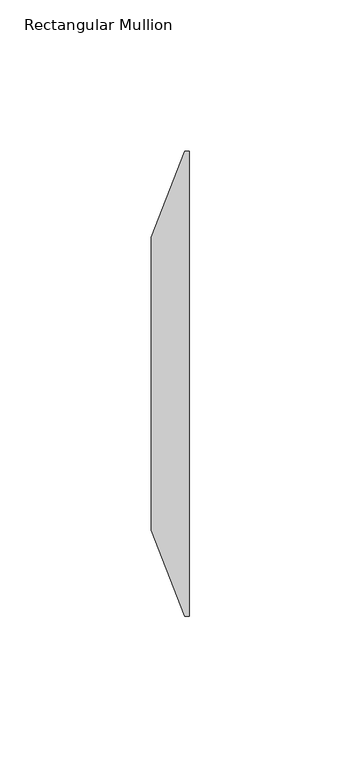
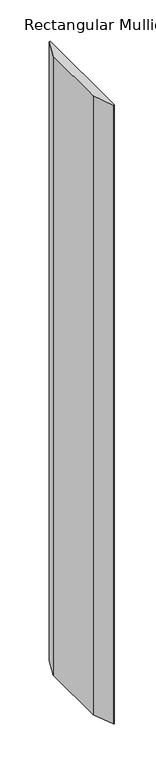
"""IFC4 building model written with IfcOpenShell, lengths in millimetres: member geometry, Rectangular Mullion."""

from ifc_helpers import new_model, si_unit, frame, origin, place, context, project, spatial, polyline, outline, extrude, source, transform, mapped, element, save


def rectangular_mullion_0e02f57b(model_context):
    return source(origin(), model_context, "Body", "SweptSolid", [
        extrude(outline(polyline([(0.0, -60.325), (-1.5875, -60.325), (-12.7, -31.75), (-12.7, 65.0875), (-1.5875, 93.6625), (0.0, 93.6625), (0.0, -60.325)])), frame((0.0, 0.0, -912.8125), z_axis=(0.0, 0.0, 1.0), x_axis=(1.0, 0.0, 0.0)), (0.0, 0.0, 1.0), 912.8125),
    ])


if __name__ == "__main__":
    model = new_model("IFC4")
    model_context = context("Model", 3, world=origin())
    ifc_project = project(units=[si_unit("LENGTHUNIT", "METRE", prefix="MILLI")], contexts=[model_context])
    site = spatial("IfcSite", under=ifc_project)
    building = spatial("IfcBuilding", under=site)
    placement = place(None, origin())
    rectangular_mullion_shape = rectangular_mullion_0e02f57b(model_context)
    element("IfcMember", 1, ObjectType="Rectangular Mullion", at=placement, inside=building, context=model_context, shape_type="MappedRepresentation", body=[
        mapped(rectangular_mullion_shape, transform((0.0, 0.0, 0.0), x_axis=(1.0, 0.0, 0.0), y_axis=(0.0, 1.0, 0.0), z_axis=(0.0, 0.0, 1.0))),
    ])
    save(model, "model.ifc")
